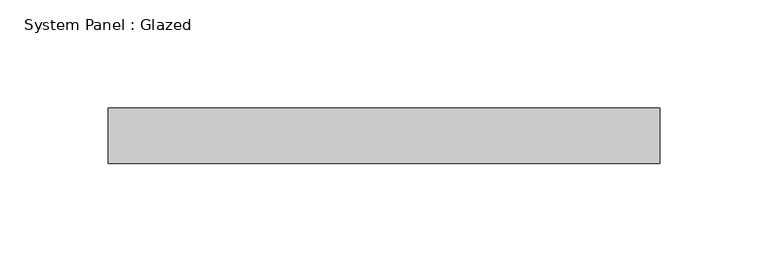
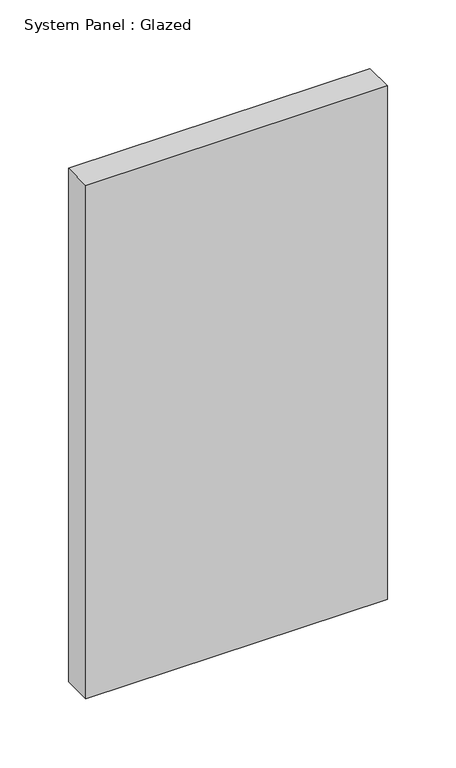
"""IFC4 building model written with IfcOpenShell, lengths in millimetres: plate geometry, System Panel : Glazed."""

from ifc_helpers import new_model, si_unit, origin, origin_with_axes, place, context, project, spatial, polyline, outline, extrude, source, transform, mapped, element, save


def system_panel_glazed_a6fe081d(model_context):
    return source(origin(), model_context, "Body", "SweptSolid", [
        extrude(outline(polyline([(127.0, -12.7), (-127.0, -12.7), (-127.0, 12.7), (127.0, 12.7), (127.0, -12.7)])), origin_with_axes(), (0.0, 0.0, 1.0), 457.2),
    ])


if __name__ == "__main__":
    model = new_model("IFC4")
    model_context = context("Model", 3, world=origin())
    ifc_project = project(units=[si_unit("LENGTHUNIT", "METRE", prefix="MILLI")], contexts=[model_context])
    site = spatial("IfcSite", under=ifc_project)
    building = spatial("IfcBuilding", under=site)
    placement = place(None, origin())
    system_panel_glazed_shape = system_panel_glazed_a6fe081d(model_context)
    element("IfcPlate", 1, ObjectType="System Panel : Glazed", at=placement, inside=building, context=model_context, shape_type="MappedRepresentation", body=[
        mapped(system_panel_glazed_shape, transform((0.0, 0.0, 0.0), x_axis=(1.0, 0.0, 0.0), y_axis=(0.0, 1.0, 0.0), z_axis=(0.0, 0.0, 1.0))),
    ])
    save(model, "model.ifc")
